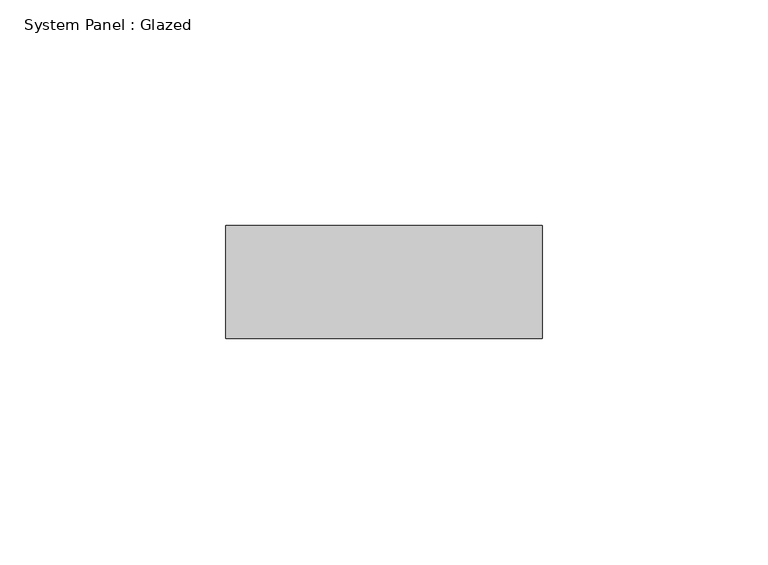
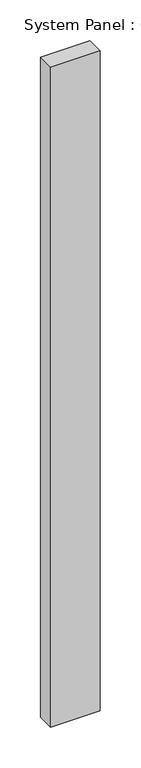
"""IFC4 building model written with IfcOpenShell, lengths in millimetres: plate geometry, System Panel : Glazed."""

from ifc_helpers import new_model, si_unit, origin, origin_with_axes, place, context, project, spatial, polyline, outline, extrude, source, transform, mapped, element, save


def system_panel_glazed_81d8778e(model_context):
    return source(origin(), model_context, "Body", "SweptSolid", [
        extrude(outline(polyline([(35.0, -49.5), (-35.0, -49.5), (-35.0, -24.5), (35.0, -24.5), (35.0, -49.5)])), origin_with_axes(), (0.0, 0.0, 1.0), 989.3333333),
    ])


if __name__ == "__main__":
    model = new_model("IFC4")
    model_context = context("Model", 3, world=origin())
    ifc_project = project(units=[si_unit("LENGTHUNIT", "METRE", prefix="MILLI")], contexts=[model_context])
    site = spatial("IfcSite", under=ifc_project)
    building = spatial("IfcBuilding", under=site)
    placement = place(None, origin())
    system_panel_glazed_shape = system_panel_glazed_81d8778e(model_context)
    element("IfcPlate", 1, ObjectType="System Panel : Glazed", at=placement, inside=building, context=model_context, shape_type="MappedRepresentation", body=[
        mapped(system_panel_glazed_shape, transform((0.0, 0.0, 0.0), x_axis=(1.0, 0.0, 0.0), y_axis=(0.0, 1.0, 0.0), z_axis=(0.0, 0.0, 1.0))),
    ])
    save(model, "model.ifc")
